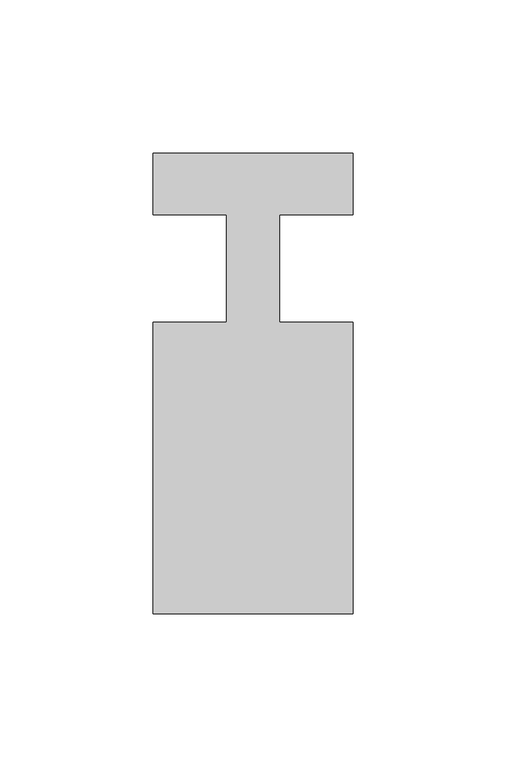
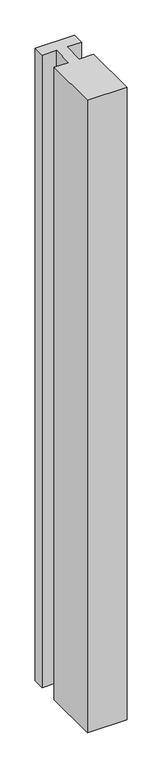
"""IFC4 building model written with IfcOpenShell, lengths in millimetres: member geometry."""

from ifc_helpers import new_model, si_unit, frame, origin, place, context, project, spatial, polyline, outline, extrude, source, transform, mapped, element, save


def member_99e2b644(model_context):
    return source(origin(), model_context, "Body", "SweptSolid", [
        extrude(outline(polyline([(0.0, 37.0), (0.0, 17.0), (-23.8125, 17.0), (-23.8125, -18.0), (0.0, -18.0), (0.0, -113.0), (-65.0, -113.0), (-65.0, -18.0), (-41.1875, -18.0), (-41.1875, 17.0), (-65.0, 17.0), (-65.0, 37.0), (0.0, 37.0)])), frame((0.0, 0.0, -1100.0), z_axis=(0.0, 0.0, 1.0), x_axis=(1.0, 0.0, 0.0)), (0.0, 0.0, 1.0), 1100.0),
    ])


if __name__ == "__main__":
    model = new_model("IFC4")
    model_context = context("Model", 3, world=origin())
    ifc_project = project(units=[si_unit("LENGTHUNIT", "METRE", prefix="MILLI")], contexts=[model_context])
    site = spatial("IfcSite", under=ifc_project)
    building = spatial("IfcBuilding", under=site)
    placement = place(None, origin())
    member_shape = member_99e2b644(model_context)
    element("IfcMember", 1, at=placement, inside=building, context=model_context, shape_type="MappedRepresentation", body=[
        mapped(member_shape, transform((0.0, 0.0, 0.0), x_axis=(1.0, 0.0, 0.0), y_axis=(0.0, 1.0, 0.0), z_axis=(0.0, 0.0, 1.0))),
    ])
    save(model, "model.ifc")
